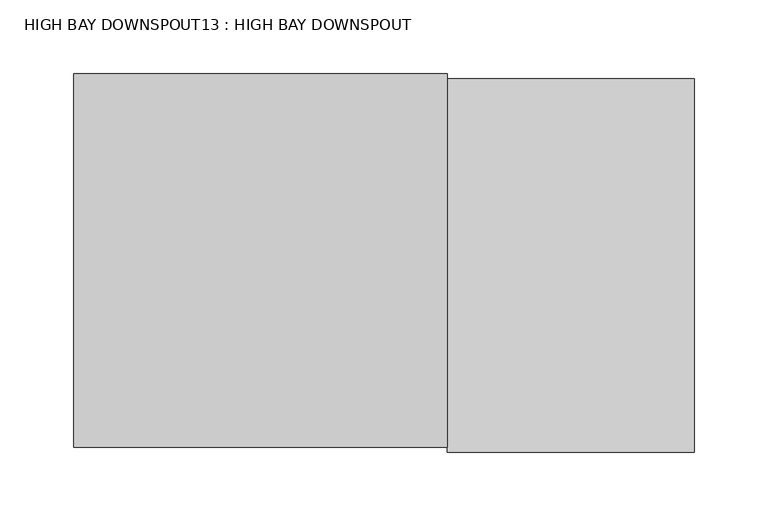
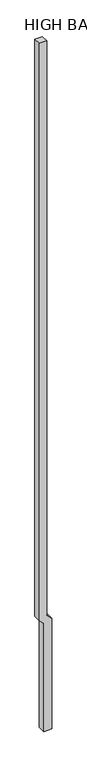
"""IFC4 building model written with IfcOpenShell, lengths in millimetres: proxy geometry, HIGH BAY DOWNSPOUT13 : HIGH BAY DOWNSPOUT."""

from ifc_helpers import new_model, si_unit, frame, origin, place, context, project, spatial, polyline, outline, extrude, source, transform, mapped, element, save


def high_bay_downspout13_high_bay_downspout_2155d915(model_context):
    return source(origin(), model_context, "Body", "SweptSolid", [
        extrude(outline(polyline([(3810.0, 448356.4273809), (3657.6, 448508.8273809), (-203.2, 448508.8273809), (-203.2, 448778.7023809), (3746.9352448, 448778.7023809), (3915.2102448, 448610.4273809), (24408.9887487, 448610.4273809), (24408.9887487, 448356.4273809), (3810.0, 448356.4273809)])), frame((0.0, 26589.1132308, 0.0), z_axis=(0.0, 1.0, 0.0), x_axis=(0.0, 0.0, 1.0)), (0.0, 0.0, 1.0), 254.0),
    ])


if __name__ == "__main__":
    model = new_model("IFC4")
    model_context = context("Model", 3, world=origin())
    ifc_project = project(units=[si_unit("LENGTHUNIT", "METRE", prefix="MILLI")], contexts=[model_context])
    site = spatial("IfcSite", under=ifc_project)
    building = spatial("IfcBuilding", under=site)
    placement = place(None, origin())
    high_bay_downspout13_high_bay_downspout_shape = high_bay_downspout13_high_bay_downspout_2155d915(model_context)
    element("IfcBuildingElementProxy", 1, Name="HIGH BAY DOWNSPOUT13 : HIGH BAY DOWNSPOUT", ObjectType="HIGH BAY DOWNSPOUT13 : HIGH BAY DOWNSPOUT", at=placement, inside=building, context=model_context, shape_type="MappedRepresentation", body=[
        mapped(high_bay_downspout13_high_bay_downspout_shape, transform((0.0, 0.0, 0.0), x_axis=(1.0, 0.0, 0.0), y_axis=(0.0, 1.0, 0.0), z_axis=(0.0, 0.0, 1.0))),
    ])
    save(model, "model.ifc")
